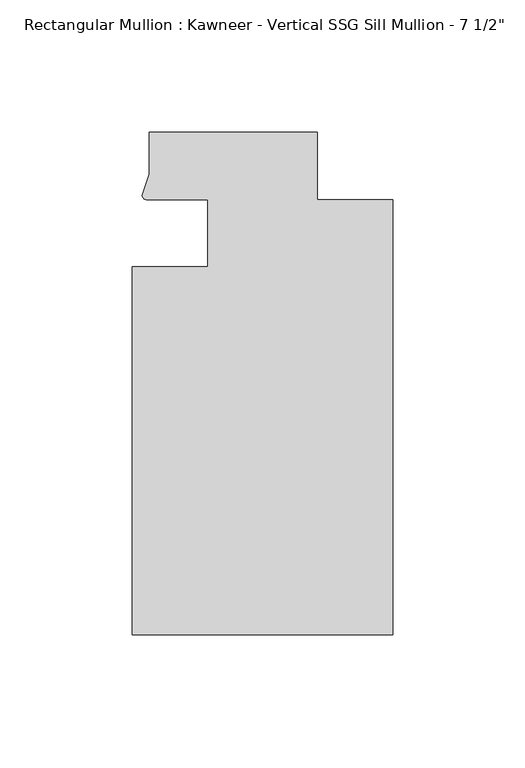
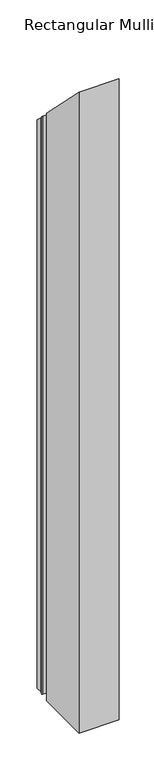
"""IFC4 building model written with IfcOpenShell, lengths in millimetres: member geometry."""

from ifc_helpers import new_model, si_unit, frame, origin, place, context, project, spatial, circle_curve, ellipse_curve, source, transform, mapped, element, save
from ifc_brep_helpers import plane_surface, cylinder_surface, advanced_brep


def member_eb83ea47(model_context):
    return source(origin(), model_context, "Body", "AdvancedBrep", [
        advanced_brep(
        [(-69.85, -12.7, -1522.9305615), (-69.85, 12.700061, -1522.9305615), (-93.1091288, 12.700061, -1522.9305615), (-94.7258552, 14.2884292, -1522.9305615), (-92.075, 22.2250977, -1522.9305615), (-92.075, 38.1, -1522.9305615), (-28.575, 38.1, -1522.9305615), (-28.575, 12.7, -1522.9305615), (0.0, 12.7, -1522.9305615), (0.0, -151.892, -1522.9305615), (-98.425, -151.892, -1522.9305615), (-98.425, -12.7, -1522.9305615), (-98.425, -12.7, 12.7), (-69.85, -12.7, 12.7), (-98.425, -151.892, 151.892), (0.0, -151.892, 151.892), (0.0, 12.7, -12.7), (-28.575, 12.7, -12.7), (-28.575, 38.1, -38.1), (-92.075, 38.1, -38.1), (-92.075, 22.2250977, -22.2250977), (-94.7258552, 14.2884292, -14.2884292), (-93.1091288, 12.700061, -12.700061), (-69.85, 12.700061, -12.700061)],
        [
            (0, 1),
            (1, 2),
            (2, 3, circle_curve(frame((-93.0262373, 14.401412, -1522.9305615), z_axis=(0.0, 0.0, -1.0), x_axis=(-0.04866327869705179, -0.9988152408260765, 0.0)), 1.703369)),
            (3, 4),
            (4, 5),
            (5, 6),
            (6, 7),
            (7, 8),
            (8, 9),
            (9, 10),
            (10, 11),
            (11, 0),
            (12, 13),
            (13, 0),
            (11, 12),
            (14, 12),
            (10, 14),
            (15, 14),
            (9, 15),
            (16, 15),
            (8, 16),
            (17, 16),
            (7, 17),
            (18, 17),
            (6, 18),
            (19, 18),
            (5, 19),
            (20, 19),
            (4, 20),
            (21, 20),
            (3, 21),
            (22, 21, ellipse_curve(frame((-93.0262373, 14.401412, -14.401412), z_axis=(0.0, -0.7071067811865482, -0.7071067811865468), x_axis=(0.0, -0.7071067811865469, 0.7071067811865482)), 2.4089276, 1.703369)),
            (2, 22),
            (23, 22),
            (1, 23),
            (13, 23),
        ],
        [
            plane_surface(frame((0.0, -180.9935366, -1522.9305615), z_axis=(0.0, 0.0, -1.0), x_axis=(-1.0, 0.0, 0.0))),
            plane_surface(frame((-69.85, -12.7, 0.0), z_axis=(0.0, 1.0, 0.0), x_axis=(0.0, 0.0, -1.0))),
            plane_surface(frame((-98.425, -12.7, 0.0), z_axis=(-1.0, 0.0, 0.0), x_axis=(0.0, 0.0, -1.0))),
            plane_surface(frame((-98.425, -151.892, 0.0), z_axis=(0.0, -1.0, 0.0), x_axis=(0.0, 0.0, -1.0))),
            plane_surface(frame((0.0, -151.892, 0.0), z_axis=(1.0, 0.0, 0.0), x_axis=(0.0, 0.0, -1.0))),
            plane_surface(frame((0.0, 12.7, 0.0), z_axis=(0.0, 1.0, 0.0), x_axis=(0.0, 0.0, -1.0))),
            plane_surface(frame((-28.575, 12.7, 0.0), z_axis=(1.0, 0.0, 0.0), x_axis=(0.0, 0.0, -1.0))),
            plane_surface(frame((-28.575, 38.1, 0.0), z_axis=(0.0, 1.0, 0.0), x_axis=(0.0, 0.0, -1.0))),
            plane_surface(frame((-92.075, 38.1, 0.0), z_axis=(-1.0, 0.0, 0.0), x_axis=(0.0, 0.0, -1.0))),
            plane_surface(frame((-92.075, 22.2250977, 0.0), z_axis=(-0.9484931443165878, 0.3167976565324192, 0.0), x_axis=(0.0, 0.0, -1.0))),
            cylinder_surface(frame((-93.0262373, 14.401412, 0.0), z_axis=(0.0, 0.0, 1.0000000000000002), x_axis=(-0.04866327869705179, -0.9988152408260765, 0.0)), 1.703369),
            plane_surface(frame((-93.1091288, 12.700061, 0.0), z_axis=(0.0, -1.0, 0.0), x_axis=(0.0, 0.0, -1.0))),
            plane_surface(frame((-69.85, 12.700061, 0.0), z_axis=(-1.0, 0.0, 0.0), x_axis=(0.0, 0.0, -1.0))),
            plane_surface(frame((-304.8, 0.0, 0.0), z_axis=(0.0, 0.7071067811865482, 0.7071067811865468), x_axis=(0.0, 0.7071067811865468, -0.7071067811865482))),
        ],
        [
            (0, [[1, 2, 3, 4, 5, 6, 7, 8, 9, 10, 11, 12]]),
            (1, [[13, 14, -12, 15]]),
            (2, [[16, -15, -11, 17]]),
            (3, [[18, -17, -10, 19]]),
            (4, [[20, -19, -9, 21]]),
            (5, [[22, -21, -8, 23]]),
            (6, [[24, -23, -7, 25]]),
            (7, [[26, -25, -6, 27]]),
            (8, [[28, -27, -5, 29]]),
            (9, [[30, -29, -4, 31]]),
            (10, [[32, -31, -3, 33]]),
            (11, [[34, -33, -2, 35]]),
            (12, [[36, -35, -1, -14]]),
            (13, [[-13, -16, -18, -20, -22, -24, -26, -28, -30, -32, -34, -36]]),
        ],
    ),
    ])


if __name__ == "__main__":
    model = new_model("IFC4")
    model_context = context("Model", 3, world=origin())
    ifc_project = project(units=[si_unit("LENGTHUNIT", "METRE", prefix="MILLI")], contexts=[model_context])
    site = spatial("IfcSite", under=ifc_project)
    building = spatial("IfcBuilding", under=site)
    placement = place(None, origin())
    member_shape = member_eb83ea47(model_context)
    element("IfcMember", 1, ObjectType="Rectangular Mullion : Kawneer - Vertical SSG Sill Mullion - 7 1/2\"", at=placement, inside=building, context=model_context, shape_type="MappedRepresentation", body=[
        mapped(member_shape, transform((0.0, 0.0, 0.0), x_axis=(1.0, 0.0, 0.0), y_axis=(0.0, 1.0, 0.0), z_axis=(0.0, 0.0, 1.0))),
    ])
    save(model, "model.ifc")
